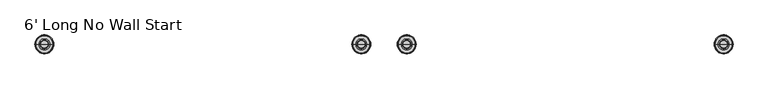
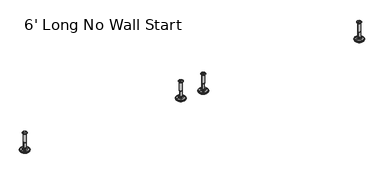
"""IFC4 building model written with IfcOpenShell, lengths in millimetres: furniture geometry, 6' Long No Wall Start."""

from ifc_helpers import new_model, si_unit, frame, origin, place, context, project, spatial, polyline, circle_curve, source, transform, mapped, element, save
from ifc_brep_helpers import plane_surface, cylinder_surface, revolved_surface, advanced_brep


def furniture_6_long_no_wall_start_9dc69d20(model_context):
    return source(origin(), model_context, "Body", "AdvancedBrep", [
        advanced_brep(
        [(1771.7372135, 0.0, 101.6), (1780.715135, 0.0, 101.6), (1762.7592921, 0.0, 101.6), (1785.8414535, 0.0, 0.0206943), (1771.7372135, 0.0, 0.0206943), (1757.6329736, 0.0, 0.0206943), (1790.7194852, 0.0, 1.4194474), (1752.7549419, 0.0, 1.4194474), (1794.4814003, 0.0, 4.7394056), (1748.9930268, 0.0, 4.7394056), (1795.5988499, 0.0, 7.5051905), (1747.8755772, 0.0, 7.5051905), (1795.5988499, 0.0, 8.3065967), (1747.8755772, 0.0, 8.3065967), (1794.7564467, 0.0, 9.8469348), (1748.7179804, 0.0, 9.8469348), (1793.656304, 0.0, 10.8375077), (1749.8181231, 0.0, 10.8375077), (1786.3526088, 0.0, 12.7338946), (1757.1218183, 0.0, 12.7338946), (1778.9344574, 0.0, 13.3828987), (1764.5399696, 0.0, 13.3828987), (1778.9344574, 0.0, 14.1772758), (1764.5399696, 0.0, 14.1772758), (1776.5376646, 0.0, 14.1772758), (1766.9367625, 0.0, 14.1772758), (1776.5376646, 0.0, 18.8098403), (1766.9367625, 0.0, 18.8098403), (1777.5535173, 0.0, 19.8256929), (1765.9209098, 0.0, 19.8256929), (1777.5535173, 0.0, 48.3056352), (1765.9209098, 0.0, 48.3056352), (1778.7770452, 0.0, 49.9293116), (1764.6973819, 0.0, 49.9293116), (1778.7770452, 0.0, 97.327223), (1764.6973819, 0.0, 97.327223), (1779.6581495, 0.0, 97.6479188), (1763.8162776, 0.0, 97.6479188), (1780.7071385, 0.0, 97.6479188), (1762.7672886, 0.0, 97.6479188), (1782.3721684, 0.0, 98.6092242), (1761.1022587, 0.0, 98.6092242), (1782.3721684, 0.0, 100.6043539), (1761.1022587, 0.0, 100.6043539)],
        [
            (0, 1),
            (1, 2, circle_curve(frame((1771.7372135, 0.0, 101.6), z_axis=(0.0, 0.0, 1.0), x_axis=(-1.0, 0.0, 0.0)), 8.9779214)),
            (2, 0),
            (2, 1, circle_curve(frame((1771.7372135, 0.0, 101.6), z_axis=(0.0, 0.0, 1.0), x_axis=(-1.0, 0.0, 0.0)), 8.9779214)),
            (3, 4),
            (4, 5),
            (5, 3, circle_curve(frame((1771.7372135, 0.0, 0.0206943), z_axis=(0.0, 0.0, -1.0), x_axis=(-1.0, 0.0, 0.0)), 14.1042399)),
            (3, 5, circle_curve(frame((1771.7372135, 0.0, 0.0206943), z_axis=(0.0, 0.0, -1.0), x_axis=(-1.0, 0.0, 0.0)), 14.1042399)),
            (6, 3),
            (5, 7),
            (7, 6, circle_curve(frame((1771.7372135, 0.0, 1.4194474), z_axis=(0.0, 0.0, -1.0), x_axis=(-1.0, 0.0, 0.0)), 18.9822717)),
            (6, 7, circle_curve(frame((1771.7372135, 0.0, 1.4194474), z_axis=(0.0, 0.0, -1.0), x_axis=(-1.0, 0.0, 0.0)), 18.9822717)),
            (8, 6),
            (7, 9),
            (9, 8, circle_curve(frame((1771.7372135, 0.0, 4.7394056), z_axis=(0.0, 0.0, -1.0), x_axis=(-1.0, 0.0, 0.0)), 22.7441867)),
            (8, 9, circle_curve(frame((1771.7372135, 0.0, 4.7394056), z_axis=(0.0, 0.0, -1.0), x_axis=(-1.0, 0.0, 0.0)), 22.7441867)),
            (10, 8),
            (9, 11),
            (11, 10, circle_curve(frame((1771.7372135, 0.0, 7.5051905), z_axis=(0.0, 0.0, -1.0), x_axis=(-1.0, 0.0, 0.0)), 23.8616363)),
            (10, 11, circle_curve(frame((1771.7372135, 0.0, 7.5051905), z_axis=(0.0, 0.0, -1.0), x_axis=(-1.0, 0.0, 0.0)), 23.8616363)),
            (12, 10),
            (11, 13),
            (13, 12, circle_curve(frame((1771.7372135, 0.0, 8.3065967), z_axis=(0.0, 0.0, -1.0), x_axis=(-1.0, 0.0, 0.0)), 23.8616363)),
            (12, 13, circle_curve(frame((1771.7372135, 0.0, 8.3065967), z_axis=(0.0, 0.0, -1.0), x_axis=(-1.0, 0.0, 0.0)), 23.8616363)),
            (14, 12),
            (13, 15),
            (15, 14, circle_curve(frame((1771.7372135, 0.0, 9.8469348), z_axis=(0.0, 0.0, -1.0), x_axis=(-1.0, 0.0, 0.0)), 23.0192331)),
            (14, 15, circle_curve(frame((1771.7372135, 0.0, 9.8469348), z_axis=(0.0, 0.0, -1.0), x_axis=(-1.0, 0.0, 0.0)), 23.0192331)),
            (16, 14),
            (15, 17),
            (17, 16, circle_curve(frame((1771.7372135, 0.0, 10.8375077), z_axis=(0.0, 0.0, -1.0), x_axis=(-1.0, 0.0, 0.0)), 21.9190905)),
            (16, 17, circle_curve(frame((1771.7372135, 0.0, 10.8375077), z_axis=(0.0, 0.0, -1.0), x_axis=(-1.0, 0.0, 0.0)), 21.9190905)),
            (18, 16),
            (17, 19),
            (19, 18, circle_curve(frame((1771.7372135, 0.0, 12.7338946), z_axis=(0.0, 0.0, -1.0), x_axis=(-1.0, 0.0, 0.0)), 14.6153953)),
            (18, 19, circle_curve(frame((1771.7372135, 0.0, 12.7338946), z_axis=(0.0, 0.0, -1.0), x_axis=(-1.0, 0.0, 0.0)), 14.6153953)),
            (20, 18),
            (19, 21),
            (21, 20, circle_curve(frame((1771.7372135, 0.0, 13.3828987), z_axis=(0.0, 0.0, -1.0), x_axis=(-1.0, 0.0, 0.0)), 7.1972439)),
            (20, 21, circle_curve(frame((1771.7372135, 0.0, 13.3828987), z_axis=(0.0, 0.0, -1.0), x_axis=(-1.0, 0.0, 0.0)), 7.1972439)),
            (22, 20),
            (21, 23),
            (23, 22, circle_curve(frame((1771.7372135, 0.0, 14.1772758), z_axis=(0.0, 0.0, -1.0), x_axis=(-1.0, 0.0, 0.0)), 7.1972439)),
            (22, 23, circle_curve(frame((1771.7372135, 0.0, 14.1772758), z_axis=(0.0, 0.0, -1.0), x_axis=(-1.0, 0.0, 0.0)), 7.1972439)),
            (24, 22),
            (23, 25),
            (25, 24, circle_curve(frame((1771.7372135, 0.0, 14.1772758), z_axis=(0.0, 0.0, -1.0), x_axis=(-1.0, 0.0, 0.0)), 4.8004511)),
            (24, 25, circle_curve(frame((1771.7372135, 0.0, 14.1772758), z_axis=(0.0, 0.0, -1.0), x_axis=(-1.0, 0.0, 0.0)), 4.8004511)),
            (26, 24),
            (25, 27),
            (27, 26, circle_curve(frame((1771.7372135, 0.0, 18.8098403), z_axis=(0.0, 0.0, -1.0), x_axis=(-1.0, 0.0, 0.0)), 4.8004511)),
            (26, 27, circle_curve(frame((1771.7372135, 0.0, 18.8098403), z_axis=(0.0, 0.0, -1.0), x_axis=(-1.0, 0.0, 0.0)), 4.8004511)),
            (28, 26),
            (27, 29),
            (29, 28, circle_curve(frame((1771.7372135, 0.0, 19.8256929), z_axis=(0.0, 0.0, -1.0), x_axis=(-1.0, 0.0, 0.0)), 5.8163037)),
            (28, 29, circle_curve(frame((1771.7372135, 0.0, 19.8256929), z_axis=(0.0, 0.0, -1.0), x_axis=(-1.0, 0.0, 0.0)), 5.8163037)),
            (30, 28),
            (29, 31),
            (31, 30, circle_curve(frame((1771.7372135, 0.0, 48.3056352), z_axis=(0.0, 0.0, -1.0), x_axis=(-1.0, 0.0, 0.0)), 5.8163037)),
            (30, 31, circle_curve(frame((1771.7372135, 0.0, 48.3056352), z_axis=(0.0, 0.0, -1.0), x_axis=(-1.0, 0.0, 0.0)), 5.8163037)),
            (32, 30),
            (31, 33),
            (33, 32, circle_curve(frame((1771.7372135, 0.0, 49.9293116), z_axis=(0.0, 0.0, -1.0), x_axis=(-1.0, 0.0, 0.0)), 7.0398316)),
            (32, 33, circle_curve(frame((1771.7372135, 0.0, 49.9293116), z_axis=(0.0, 0.0, -1.0), x_axis=(-1.0, 0.0, 0.0)), 7.0398316)),
            (34, 32),
            (33, 35),
            (35, 34, circle_curve(frame((1771.7372135, 0.0, 97.327223), z_axis=(0.0, 0.0, -1.0), x_axis=(-1.0, 0.0, 0.0)), 7.0398316)),
            (34, 35, circle_curve(frame((1771.7372135, 0.0, 97.327223), z_axis=(0.0, 0.0, -1.0), x_axis=(-1.0, 0.0, 0.0)), 7.0398316)),
            (36, 34),
            (35, 37),
            (37, 36, circle_curve(frame((1771.7372135, 0.0, 97.6479188), z_axis=(0.0, 0.0, -1.0), x_axis=(-1.0, 0.0, 0.0)), 7.920936)),
            (36, 37, circle_curve(frame((1771.7372135, 0.0, 97.6479188), z_axis=(0.0, 0.0, -1.0), x_axis=(-1.0, 0.0, 0.0)), 7.920936)),
            (38, 36),
            (37, 39),
            (39, 38, circle_curve(frame((1771.7372135, 0.0, 97.6479188), z_axis=(0.0, 0.0, -1.0), x_axis=(-1.0, 0.0, 0.0)), 8.9699249)),
            (38, 39, circle_curve(frame((1771.7372135, 0.0, 97.6479188), z_axis=(0.0, 0.0, -1.0), x_axis=(-1.0, 0.0, 0.0)), 8.9699249)),
            (40, 38),
            (39, 41),
            (41, 40, circle_curve(frame((1771.7372135, 0.0, 98.6092242), z_axis=(0.0, 0.0, -1.0), x_axis=(-1.0, 0.0, 0.0)), 10.6349548)),
            (40, 41, circle_curve(frame((1771.7372135, 0.0, 98.6092242), z_axis=(0.0, 0.0, -1.0), x_axis=(-1.0, 0.0, 0.0)), 10.6349548)),
            (42, 40),
            (41, 43),
            (43, 42, circle_curve(frame((1771.7372135, 0.0, 100.6043539), z_axis=(0.0, 0.0, -1.0), x_axis=(-1.0, 0.0, 0.0)), 10.6349548)),
            (42, 43, circle_curve(frame((1771.7372135, 0.0, 100.6043539), z_axis=(0.0, 0.0, -1.0), x_axis=(-1.0, 0.0, 0.0)), 10.6349548)),
            (1, 42),
            (43, 2),
        ],
        [
            plane_surface(frame((1771.7372135, 0.0, 101.6), z_axis=(0.0, 0.0, 1.0), x_axis=(-1.0, 0.0, 0.0))),
            plane_surface(frame((1771.7372135, 0.0, 0.0206943), z_axis=(0.0, 0.0, -1.0), x_axis=(-1.0, 0.0, 0.0))),
            revolved_surface(polyline([(1757.6329736, 0.0, 0.0206943), (1752.7549419, 0.0, 1.4194474)]), (1771.7372135, 0.0, 101.6), (0.0, 0.0, 1.0)),
            revolved_surface(polyline([(1752.7549419, 0.0, 1.4194474), (1748.9930268, 0.0, 4.7394056)]), (1771.7372135, 0.0, 101.6), (0.0, 0.0, 1.0)),
            revolved_surface(polyline([(1748.9930268, 0.0, 4.7394056), (1747.8755772, 0.0, 7.5051905)]), (1771.7372135, 0.0, 101.6), (0.0, 0.0, 1.0)),
            cylinder_surface(frame((1771.7372135, 0.0, 101.6), z_axis=(0.0, 0.0, 1.0), x_axis=(-1.0, 0.0, 0.0)), 23.8616363),
            revolved_surface(polyline([(1747.8755772, 0.0, 8.3065967), (1748.7179804, 0.0, 9.8469348)]), (1771.7372135, 0.0, 101.6), (0.0, 0.0, 1.0)),
            revolved_surface(polyline([(1748.7179804, 0.0, 9.8469348), (1749.8181231, 0.0, 10.8375077)]), (1771.7372135, 0.0, 101.6), (0.0, 0.0, 1.0)),
            revolved_surface(polyline([(1749.8181231, 0.0, 10.8375077), (1757.1218183, 0.0, 12.7338946)]), (1771.7372135, 0.0, 101.6), (0.0, 0.0, 1.0)),
            revolved_surface(polyline([(1757.1218183, 0.0, 12.7338946), (1764.5399696, 0.0, 13.3828987)]), (1771.7372135, 0.0, 101.6), (0.0, 0.0, 1.0)),
            cylinder_surface(frame((1771.7372135, 0.0, 101.6), z_axis=(0.0, 0.0, 1.0), x_axis=(-1.0, 0.0, 0.0)), 7.1972439),
            plane_surface(frame((1771.7372135, 0.0, 14.1772758), z_axis=(0.0, 0.0, 1.0), x_axis=(-1.0, 0.0, 0.0))),
            cylinder_surface(frame((1771.7372135, 0.0, 101.6), z_axis=(0.0, 0.0, 1.0), x_axis=(-1.0, 0.0, 0.0)), 4.8004511),
            revolved_surface(polyline([(1766.9367625, 0.0, 18.8098403), (1765.9209098, 0.0, 19.8256929)]), (1771.7372135, 0.0, 101.6), (0.0, 0.0, 1.0)),
            cylinder_surface(frame((1771.7372135, 0.0, 101.6), z_axis=(0.0, 0.0, 1.0), x_axis=(-1.0, 0.0, 0.0)), 5.8163037),
            revolved_surface(polyline([(1765.9209098, 0.0, 48.3056352), (1764.6973819, 0.0, 49.9293116)]), (1771.7372135, 0.0, 101.6), (0.0, 0.0, 1.0)),
            cylinder_surface(frame((1771.7372135, 0.0, 101.6), z_axis=(0.0, 0.0, 1.0), x_axis=(-1.0, 0.0, 0.0)), 7.0398316),
            revolved_surface(polyline([(1764.6973819, 0.0, 97.327223), (1763.8162776, 0.0, 97.6479188)]), (1771.7372135, 0.0, 101.6), (0.0, 0.0, 1.0)),
            plane_surface(frame((1771.7372135, 0.0, 97.6479188), z_axis=(0.0, 0.0, -1.0), x_axis=(-1.0, 0.0, 0.0))),
            revolved_surface(polyline([(1762.7672886, 0.0, 97.6479188), (1761.1022587, 0.0, 98.6092242)]), (1771.7372135, 0.0, 101.6), (0.0, 0.0, 1.0)),
            cylinder_surface(frame((1771.7372135, 0.0, 101.6), z_axis=(0.0, 0.0, 1.0), x_axis=(-1.0, 0.0, 0.0)), 10.6349548),
            revolved_surface(polyline([(1761.1022587, 0.0, 100.6043539), (1762.7592921, 0.0, 101.6)]), (1771.7372135, 0.0, 101.6), (0.0, 0.0, 1.0)),
        ],
        [
            (0, [[1, 2, 3]]),
            (0, [[-3, 4, -1]]),
            (1, [[5, 6, 7]]),
            (1, [[-6, -5, 8]]),
            (2, [[9, -7, 10, 11]]),
            (2, [[-10, -8, -9, 12]]),
            (3, [[13, -11, 14, 15]]),
            (3, [[-14, -12, -13, 16]]),
            (4, [[17, -15, 18, 19]]),
            (4, [[-18, -16, -17, 20]]),
            (5, [[21, -19, 22, 23]]),
            (5, [[-22, -20, -21, 24]]),
            (6, [[25, -23, 26, 27]]),
            (6, [[-26, -24, -25, 28]]),
            (7, [[29, -27, 30, 31]]),
            (7, [[-30, -28, -29, 32]]),
            (8, [[33, -31, 34, 35]]),
            (8, [[-34, -32, -33, 36]]),
            (9, [[37, -35, 38, 39]]),
            (9, [[-38, -36, -37, 40]]),
            (10, [[41, -39, 42, 43]]),
            (10, [[-42, -40, -41, 44]]),
            (11, [[45, -43, 46, 47]]),
            (11, [[-46, -44, -45, 48]]),
            (12, [[49, -47, 50, 51]]),
            (12, [[-50, -48, -49, 52]]),
            (13, [[53, -51, 54, 55]]),
            (13, [[-54, -52, -53, 56]]),
            (14, [[57, -55, 58, 59]]),
            (14, [[-58, -56, -57, 60]]),
            (15, [[61, -59, 62, 63]]),
            (15, [[-62, -60, -61, 64]]),
            (16, [[65, -63, 66, 67]]),
            (16, [[-66, -64, -65, 68]]),
            (17, [[69, -67, 70, 71]]),
            (17, [[-70, -68, -69, 72]]),
            (18, [[73, -71, 74, 75]]),
            (18, [[-74, -72, -73, 76]]),
            (19, [[77, -75, 78, 79]]),
            (19, [[-78, -76, -77, 80]]),
            (20, [[81, -79, 82, 83]]),
            (20, [[-82, -80, -81, 84]]),
            (21, [[85, -83, 86, -2]]),
            (21, [[-86, -84, -85, -4]]),
        ],
    ),
        advanced_brep(
        [(971.7364323, 0.0, 101.6), (980.7143537, 0.0, 101.6), (962.7585109, 0.0, 101.6), (985.8406722, 0.0, 0.0206943), (971.7364323, 0.0, 0.0206943), (957.6321924, 0.0, 0.0206943), (990.718704, 0.0, 1.4194474), (952.7541606, 0.0, 1.4194474), (994.480619, 0.0, 4.7394056), (948.9922456, 0.0, 4.7394056), (995.5980686, 0.0, 7.5051905), (947.874796, 0.0, 7.5051905), (995.5980686, 0.0, 8.3065967), (947.874796, 0.0, 8.3065967), (994.7556654, 0.0, 9.8469348), (948.7171992, 0.0, 9.8469348), (993.6555228, 0.0, 10.8375077), (949.8173418, 0.0, 10.8375077), (986.3518276, 0.0, 12.7338946), (957.121037, 0.0, 12.7338946), (978.9336762, 0.0, 13.3828987), (964.5391884, 0.0, 13.3828987), (978.9336762, 0.0, 14.1772758), (964.5391884, 0.0, 14.1772758), (976.5368834, 0.0, 14.1772758), (966.9359812, 0.0, 14.1772758), (976.5368834, 0.0, 18.8098403), (966.9359812, 0.0, 18.8098403), (977.552736, 0.0, 19.8256929), (965.9201286, 0.0, 19.8256929), (977.552736, 0.0, 48.3056352), (965.9201286, 0.0, 48.3056352), (978.7762639, 0.0, 49.9293116), (964.6966007, 0.0, 49.9293116), (978.7762639, 0.0, 97.327223), (964.6966007, 0.0, 97.327223), (979.6573683, 0.0, 97.6479188), (963.8154963, 0.0, 97.6479188), (980.7063572, 0.0, 97.6479188), (962.7665074, 0.0, 97.6479188), (982.3713871, 0.0, 98.6092242), (961.1014775, 0.0, 98.6092242), (982.3713871, 0.0, 100.6043539), (961.1014775, 0.0, 100.6043539)],
        [
            (0, 1),
            (1, 2, circle_curve(frame((971.7364323, 0.0, 101.6), z_axis=(0.0, 0.0, 1.0), x_axis=(-1.0, 0.0, 0.0)), 8.9779214)),
            (2, 0),
            (2, 1, circle_curve(frame((971.7364323, 0.0, 101.6), z_axis=(0.0, 0.0, 1.0), x_axis=(-1.0, 0.0, 0.0)), 8.9779214)),
            (3, 4),
            (4, 5),
            (5, 3, circle_curve(frame((971.7364323, 0.0, 0.0206943), z_axis=(0.0, 0.0, -1.0), x_axis=(-1.0, 0.0, 0.0)), 14.1042399)),
            (3, 5, circle_curve(frame((971.7364323, 0.0, 0.0206943), z_axis=(0.0, 0.0, -1.0), x_axis=(-1.0, 0.0, 0.0)), 14.1042399)),
            (6, 3),
            (5, 7),
            (7, 6, circle_curve(frame((971.7364323, 0.0, 1.4194474), z_axis=(0.0, 0.0, -1.0), x_axis=(-1.0, 0.0, 0.0)), 18.9822717)),
            (6, 7, circle_curve(frame((971.7364323, 0.0, 1.4194474), z_axis=(0.0, 0.0, -1.0), x_axis=(-1.0, 0.0, 0.0)), 18.9822717)),
            (8, 6),
            (7, 9),
            (9, 8, circle_curve(frame((971.7364323, 0.0, 4.7394056), z_axis=(0.0, 0.0, -1.0), x_axis=(-1.0, 0.0, 0.0)), 22.7441867)),
            (8, 9, circle_curve(frame((971.7364323, 0.0, 4.7394056), z_axis=(0.0, 0.0, -1.0), x_axis=(-1.0, 0.0, 0.0)), 22.7441867)),
            (10, 8),
            (9, 11),
            (11, 10, circle_curve(frame((971.7364323, 0.0, 7.5051905), z_axis=(0.0, 0.0, -1.0), x_axis=(-1.0, 0.0, 0.0)), 23.8616363)),
            (10, 11, circle_curve(frame((971.7364323, 0.0, 7.5051905), z_axis=(0.0, 0.0, -1.0), x_axis=(-1.0, 0.0, 0.0)), 23.8616363)),
            (12, 10),
            (11, 13),
            (13, 12, circle_curve(frame((971.7364323, 0.0, 8.3065967), z_axis=(0.0, 0.0, -1.0), x_axis=(-1.0, 0.0, 0.0)), 23.8616363)),
            (12, 13, circle_curve(frame((971.7364323, 0.0, 8.3065967), z_axis=(0.0, 0.0, -1.0), x_axis=(-1.0, 0.0, 0.0)), 23.8616363)),
            (14, 12),
            (13, 15),
            (15, 14, circle_curve(frame((971.7364323, 0.0, 9.8469348), z_axis=(0.0, 0.0, -1.0), x_axis=(-1.0, 0.0, 0.0)), 23.0192331)),
            (14, 15, circle_curve(frame((971.7364323, 0.0, 9.8469348), z_axis=(0.0, 0.0, -1.0), x_axis=(-1.0, 0.0, 0.0)), 23.0192331)),
            (16, 14),
            (15, 17),
            (17, 16, circle_curve(frame((971.7364323, 0.0, 10.8375077), z_axis=(0.0, 0.0, -1.0), x_axis=(-1.0, 0.0, 0.0)), 21.9190905)),
            (16, 17, circle_curve(frame((971.7364323, 0.0, 10.8375077), z_axis=(0.0, 0.0, -1.0), x_axis=(-1.0, 0.0, 0.0)), 21.9190905)),
            (18, 16),
            (17, 19),
            (19, 18, circle_curve(frame((971.7364323, 0.0, 12.7338946), z_axis=(0.0, 0.0, -1.0), x_axis=(-1.0, 0.0, 0.0)), 14.6153953)),
            (18, 19, circle_curve(frame((971.7364323, 0.0, 12.7338946), z_axis=(0.0, 0.0, -1.0), x_axis=(-1.0, 0.0, 0.0)), 14.6153953)),
            (20, 18),
            (19, 21),
            (21, 20, circle_curve(frame((971.7364323, 0.0, 13.3828987), z_axis=(0.0, 0.0, -1.0), x_axis=(-1.0, 0.0, 0.0)), 7.1972439)),
            (20, 21, circle_curve(frame((971.7364323, 0.0, 13.3828987), z_axis=(0.0, 0.0, -1.0), x_axis=(-1.0, 0.0, 0.0)), 7.1972439)),
            (22, 20),
            (21, 23),
            (23, 22, circle_curve(frame((971.7364323, 0.0, 14.1772758), z_axis=(0.0, 0.0, -1.0), x_axis=(-1.0, 0.0, 0.0)), 7.1972439)),
            (22, 23, circle_curve(frame((971.7364323, 0.0, 14.1772758), z_axis=(0.0, 0.0, -1.0), x_axis=(-1.0, 0.0, 0.0)), 7.1972439)),
            (24, 22),
            (23, 25),
            (25, 24, circle_curve(frame((971.7364323, 0.0, 14.1772758), z_axis=(0.0, 0.0, -1.0), x_axis=(-1.0, 0.0, 0.0)), 4.8004511)),
            (24, 25, circle_curve(frame((971.7364323, 0.0, 14.1772758), z_axis=(0.0, 0.0, -1.0), x_axis=(-1.0, 0.0, 0.0)), 4.8004511)),
            (26, 24),
            (25, 27),
            (27, 26, circle_curve(frame((971.7364323, 0.0, 18.8098403), z_axis=(0.0, 0.0, -1.0), x_axis=(-1.0, 0.0, 0.0)), 4.8004511)),
            (26, 27, circle_curve(frame((971.7364323, 0.0, 18.8098403), z_axis=(0.0, 0.0, -1.0), x_axis=(-1.0, 0.0, 0.0)), 4.8004511)),
            (28, 26),
            (27, 29),
            (29, 28, circle_curve(frame((971.7364323, 0.0, 19.8256929), z_axis=(0.0, 0.0, -1.0), x_axis=(-1.0, 0.0, 0.0)), 5.8163037)),
            (28, 29, circle_curve(frame((971.7364323, 0.0, 19.8256929), z_axis=(0.0, 0.0, -1.0), x_axis=(-1.0, 0.0, 0.0)), 5.8163037)),
            (30, 28),
            (29, 31),
            (31, 30, circle_curve(frame((971.7364323, 0.0, 48.3056352), z_axis=(0.0, 0.0, -1.0), x_axis=(-1.0, 0.0, 0.0)), 5.8163037)),
            (30, 31, circle_curve(frame((971.7364323, 0.0, 48.3056352), z_axis=(0.0, 0.0, -1.0), x_axis=(-1.0, 0.0, 0.0)), 5.8163037)),
            (32, 30),
            (31, 33),
            (33, 32, circle_curve(frame((971.7364323, 0.0, 49.9293116), z_axis=(0.0, 0.0, -1.0), x_axis=(-1.0, 0.0, 0.0)), 7.0398316)),
            (32, 33, circle_curve(frame((971.7364323, 0.0, 49.9293116), z_axis=(0.0, 0.0, -1.0), x_axis=(-1.0, 0.0, 0.0)), 7.0398316)),
            (34, 32),
            (33, 35),
            (35, 34, circle_curve(frame((971.7364323, 0.0, 97.327223), z_axis=(0.0, 0.0, -1.0), x_axis=(-1.0, 0.0, 0.0)), 7.0398316)),
            (34, 35, circle_curve(frame((971.7364323, 0.0, 97.327223), z_axis=(0.0, 0.0, -1.0), x_axis=(-1.0, 0.0, 0.0)), 7.0398316)),
            (36, 34),
            (35, 37),
            (37, 36, circle_curve(frame((971.7364323, 0.0, 97.6479188), z_axis=(0.0, 0.0, -1.0), x_axis=(-1.0, 0.0, 0.0)), 7.920936)),
            (36, 37, circle_curve(frame((971.7364323, 0.0, 97.6479188), z_axis=(0.0, 0.0, -1.0), x_axis=(-1.0, 0.0, 0.0)), 7.920936)),
            (38, 36),
            (37, 39),
            (39, 38, circle_curve(frame((971.7364323, 0.0, 97.6479188), z_axis=(0.0, 0.0, -1.0), x_axis=(-1.0, 0.0, 0.0)), 8.9699249)),
            (38, 39, circle_curve(frame((971.7364323, 0.0, 97.6479188), z_axis=(0.0, 0.0, -1.0), x_axis=(-1.0, 0.0, 0.0)), 8.9699249)),
            (40, 38),
            (39, 41),
            (41, 40, circle_curve(frame((971.7364323, 0.0, 98.6092242), z_axis=(0.0, 0.0, -1.0), x_axis=(-1.0, 0.0, 0.0)), 10.6349548)),
            (40, 41, circle_curve(frame((971.7364323, 0.0, 98.6092242), z_axis=(0.0, 0.0, -1.0), x_axis=(-1.0, 0.0, 0.0)), 10.6349548)),
            (42, 40),
            (41, 43),
            (43, 42, circle_curve(frame((971.7364323, 0.0, 100.6043539), z_axis=(0.0, 0.0, -1.0), x_axis=(-1.0, 0.0, 0.0)), 10.6349548)),
            (42, 43, circle_curve(frame((971.7364323, 0.0, 100.6043539), z_axis=(0.0, 0.0, -1.0), x_axis=(-1.0, 0.0, 0.0)), 10.6349548)),
            (1, 42),
            (43, 2),
        ],
        [
            plane_surface(frame((971.7364323, 0.0, 101.6), z_axis=(0.0, 0.0, 1.0), x_axis=(-1.0, 0.0, 0.0))),
            plane_surface(frame((971.7364323, 0.0, 0.0206943), z_axis=(0.0, 0.0, -1.0), x_axis=(-1.0, 0.0, 0.0))),
            revolved_surface(polyline([(957.6321924, 0.0, 0.0206943), (952.7541606, 0.0, 1.4194474)]), (971.7364323, 0.0, 101.6), (0.0, 0.0, 1.0)),
            revolved_surface(polyline([(952.7541606, 0.0, 1.4194474), (948.9922456, 0.0, 4.7394056)]), (971.7364323, 0.0, 101.6), (0.0, 0.0, 1.0)),
            revolved_surface(polyline([(948.9922456, 0.0, 4.7394056), (947.874796, 0.0, 7.5051905)]), (971.7364323, 0.0, 101.6), (0.0, 0.0, 1.0)),
            cylinder_surface(frame((971.7364323, 0.0, 101.6), z_axis=(0.0, 0.0, 1.0), x_axis=(-1.0, 0.0, 0.0)), 23.8616363),
            revolved_surface(polyline([(947.874796, 0.0, 8.3065967), (948.7171992, 0.0, 9.8469348)]), (971.7364323, 0.0, 101.6), (0.0, 0.0, 1.0)),
            revolved_surface(polyline([(948.7171992, 0.0, 9.8469348), (949.8173418, 0.0, 10.8375077)]), (971.7364323, 0.0, 101.6), (0.0, 0.0, 1.0)),
            revolved_surface(polyline([(949.8173418, 0.0, 10.8375077), (957.121037, 0.0, 12.7338946)]), (971.7364323, 0.0, 101.6), (0.0, 0.0, 1.0)),
            revolved_surface(polyline([(957.121037, 0.0, 12.7338946), (964.5391884, 0.0, 13.3828987)]), (971.7364323, 0.0, 101.6), (0.0, 0.0, 1.0)),
            cylinder_surface(frame((971.7364323, 0.0, 101.6), z_axis=(0.0, 0.0, 1.0), x_axis=(-1.0, 0.0, 0.0)), 7.1972439),
            plane_surface(frame((971.7364323, 0.0, 14.1772758), z_axis=(0.0, 0.0, 1.0), x_axis=(-1.0, 0.0, 0.0))),
            cylinder_surface(frame((971.7364323, 0.0, 101.6), z_axis=(0.0, 0.0, 1.0), x_axis=(-1.0, 0.0, 0.0)), 4.8004511),
            revolved_surface(polyline([(966.9359812, 0.0, 18.8098403), (965.9201286, 0.0, 19.8256929)]), (971.7364323, 0.0, 101.6), (0.0, 0.0, 1.0)),
            cylinder_surface(frame((971.7364323, 0.0, 101.6), z_axis=(0.0, 0.0, 1.0), x_axis=(-1.0, 0.0, 0.0)), 5.8163037),
            revolved_surface(polyline([(965.9201286, 0.0, 48.3056352), (964.6966007, 0.0, 49.9293116)]), (971.7364323, 0.0, 101.6), (0.0, 0.0, 1.0)),
            cylinder_surface(frame((971.7364323, 0.0, 101.6), z_axis=(0.0, 0.0, 1.0), x_axis=(-1.0, 0.0, 0.0)), 7.0398316),
            revolved_surface(polyline([(964.6966007, 0.0, 97.327223), (963.8154963, 0.0, 97.6479188)]), (971.7364323, 0.0, 101.6), (0.0, 0.0, 1.0)),
            plane_surface(frame((971.7364323, 0.0, 97.6479188), z_axis=(0.0, 0.0, -1.0), x_axis=(-1.0, 0.0, 0.0))),
            revolved_surface(polyline([(962.7665074, 0.0, 97.6479188), (961.1014775, 0.0, 98.6092242)]), (971.7364323, 0.0, 101.6), (0.0, 0.0, 1.0)),
            cylinder_surface(frame((971.7364323, 0.0, 101.6), z_axis=(0.0, 0.0, 1.0), x_axis=(-1.0, 0.0, 0.0)), 10.6349548),
            revolved_surface(polyline([(961.1014775, 0.0, 100.6043539), (962.7585109, 0.0, 101.6)]), (971.7364323, 0.0, 101.6), (0.0, 0.0, 1.0)),
        ],
        [
            (0, [[1, 2, 3]]),
            (0, [[-3, 4, -1]]),
            (1, [[5, 6, 7]]),
            (1, [[-6, -5, 8]]),
            (2, [[9, -7, 10, 11]]),
            (2, [[-10, -8, -9, 12]]),
            (3, [[13, -11, 14, 15]]),
            (3, [[-14, -12, -13, 16]]),
            (4, [[17, -15, 18, 19]]),
            (4, [[-18, -16, -17, 20]]),
            (5, [[21, -19, 22, 23]]),
            (5, [[-22, -20, -21, 24]]),
            (6, [[25, -23, 26, 27]]),
            (6, [[-26, -24, -25, 28]]),
            (7, [[29, -27, 30, 31]]),
            (7, [[-30, -28, -29, 32]]),
            (8, [[33, -31, 34, 35]]),
            (8, [[-34, -32, -33, 36]]),
            (9, [[37, -35, 38, 39]]),
            (9, [[-38, -36, -37, 40]]),
            (10, [[41, -39, 42, 43]]),
            (10, [[-42, -40, -41, 44]]),
            (11, [[45, -43, 46, 47]]),
            (11, [[-46, -44, -45, 48]]),
            (12, [[49, -47, 50, 51]]),
            (12, [[-50, -48, -49, 52]]),
            (13, [[53, -51, 54, 55]]),
            (13, [[-54, -52, -53, 56]]),
            (14, [[57, -55, 58, 59]]),
            (14, [[-58, -56, -57, 60]]),
            (15, [[61, -59, 62, 63]]),
            (15, [[-62, -60, -61, 64]]),
            (16, [[65, -63, 66, 67]]),
            (16, [[-66, -64, -65, 68]]),
            (17, [[69, -67, 70, 71]]),
            (17, [[-70, -68, -69, 72]]),
            (18, [[73, -71, 74, 75]]),
            (18, [[-74, -72, -73, 76]]),
            (19, [[77, -75, 78, 79]]),
            (19, [[-78, -76, -77, 80]]),
            (20, [[81, -79, 82, 83]]),
            (20, [[-82, -80, -81, 84]]),
            (21, [[85, -83, 86, -2]]),
            (21, [[-86, -84, -85, -4]]),
        ],
    ),
        advanced_brep(
        [(857.0635677, 0.0, 101.6), (866.0414891, 0.0, 101.6), (848.0856463, 0.0, 101.6), (842.9593278, 0.0, 0.0206943), (871.1678076, 0.0, 0.0206943), (857.0635677, 0.0, 0.0206943), (838.081296, 0.0, 1.4194474), (876.0458394, 0.0, 1.4194474), (834.319381, 0.0, 4.7394056), (879.8077544, 0.0, 4.7394056), (833.2019314, 0.0, 7.5051905), (880.925204, 0.0, 7.5051905), (833.2019314, 0.0, 8.3065967), (880.925204, 0.0, 8.3065967), (834.0443346, 0.0, 9.8469348), (880.0828008, 0.0, 9.8469348), (835.1444772, 0.0, 10.8375077), (878.9826582, 0.0, 10.8375077), (842.4481724, 0.0, 12.7338946), (871.678963, 0.0, 12.7338946), (849.8663238, 0.0, 13.3828987), (864.2608116, 0.0, 13.3828987), (849.8663238, 0.0, 14.1772758), (864.2608116, 0.0, 14.1772758), (852.2631166, 0.0, 14.1772758), (861.8640188, 0.0, 14.1772758), (852.2631166, 0.0, 18.8098403), (861.8640188, 0.0, 18.8098403), (851.247264, 0.0, 19.8256929), (862.8798714, 0.0, 19.8256929), (851.247264, 0.0, 48.3056352), (862.8798714, 0.0, 48.3056352), (850.0237361, 0.0, 49.9293116), (864.1033993, 0.0, 49.9293116), (850.0237361, 0.0, 97.327223), (864.1033993, 0.0, 97.327223), (849.1426317, 0.0, 97.6479188), (864.9845037, 0.0, 97.6479188), (848.0936428, 0.0, 97.6479188), (866.0334926, 0.0, 97.6479188), (846.4286129, 0.0, 98.6092242), (867.6985225, 0.0, 98.6092242), (846.4286129, 0.0, 100.6043539), (867.6985225, 0.0, 100.6043539)],
        [
            (0, 1),
            (1, 2, circle_curve(frame((857.0635677, 0.0, 101.6), z_axis=(0.0, 0.0, 1.0), x_axis=(1.0, 0.0, 0.0)), 8.9779214)),
            (2, 0),
            (2, 1, circle_curve(frame((857.0635677, 0.0, 101.6), z_axis=(0.0, 0.0, 1.0), x_axis=(1.0, 0.0, 0.0)), 8.9779214)),
            (3, 4, circle_curve(frame((857.0635677, 0.0, 0.0206943), z_axis=(0.0, 0.0, -1.0), x_axis=(1.0, 0.0, 0.0)), 14.1042399)),
            (4, 5),
            (5, 3),
            (4, 3, circle_curve(frame((857.0635677, 0.0, 0.0206943), z_axis=(0.0, 0.0, -1.0), x_axis=(1.0, 0.0, 0.0)), 14.1042399)),
            (6, 7, circle_curve(frame((857.0635677, 0.0, 1.4194474), z_axis=(0.0, 0.0, -1.0), x_axis=(1.0, 0.0, 0.0)), 18.9822717)),
            (7, 4),
            (3, 6),
            (7, 6, circle_curve(frame((857.0635677, 0.0, 1.4194474), z_axis=(0.0, 0.0, -1.0), x_axis=(1.0, 0.0, 0.0)), 18.9822717)),
            (8, 9, circle_curve(frame((857.0635677, 0.0, 4.7394056), z_axis=(0.0, 0.0, -1.0), x_axis=(1.0, 0.0, 0.0)), 22.7441867)),
            (9, 7),
            (6, 8),
            (9, 8, circle_curve(frame((857.0635677, 0.0, 4.7394056), z_axis=(0.0, 0.0, -1.0), x_axis=(1.0, 0.0, 0.0)), 22.7441867)),
            (10, 11, circle_curve(frame((857.0635677, 0.0, 7.5051905), z_axis=(0.0, 0.0, -1.0), x_axis=(1.0, 0.0, 0.0)), 23.8616363)),
            (11, 9),
            (8, 10),
            (11, 10, circle_curve(frame((857.0635677, 0.0, 7.5051905), z_axis=(0.0, 0.0, -1.0), x_axis=(1.0, 0.0, 0.0)), 23.8616363)),
            (12, 13, circle_curve(frame((857.0635677, 0.0, 8.3065967), z_axis=(0.0, 0.0, -1.0), x_axis=(1.0, 0.0, 0.0)), 23.8616363)),
            (13, 11),
            (10, 12),
            (13, 12, circle_curve(frame((857.0635677, 0.0, 8.3065967), z_axis=(0.0, 0.0, -1.0), x_axis=(1.0, 0.0, 0.0)), 23.8616363)),
            (14, 15, circle_curve(frame((857.0635677, 0.0, 9.8469348), z_axis=(0.0, 0.0, -1.0), x_axis=(1.0, 0.0, 0.0)), 23.0192331)),
            (15, 13),
            (12, 14),
            (15, 14, circle_curve(frame((857.0635677, 0.0, 9.8469348), z_axis=(0.0, 0.0, -1.0), x_axis=(1.0, 0.0, 0.0)), 23.0192331)),
            (16, 17, circle_curve(frame((857.0635677, 0.0, 10.8375077), z_axis=(0.0, 0.0, -1.0), x_axis=(1.0, 0.0, 0.0)), 21.9190905)),
            (17, 15),
            (14, 16),
            (17, 16, circle_curve(frame((857.0635677, 0.0, 10.8375077), z_axis=(0.0, 0.0, -1.0), x_axis=(1.0, 0.0, 0.0)), 21.9190905)),
            (18, 19, circle_curve(frame((857.0635677, 0.0, 12.7338946), z_axis=(0.0, 0.0, -1.0), x_axis=(1.0, 0.0, 0.0)), 14.6153953)),
            (19, 17),
            (16, 18),
            (19, 18, circle_curve(frame((857.0635677, 0.0, 12.7338946), z_axis=(0.0, 0.0, -1.0), x_axis=(1.0, 0.0, 0.0)), 14.6153953)),
            (20, 21, circle_curve(frame((857.0635677, 0.0, 13.3828987), z_axis=(0.0, 0.0, -1.0), x_axis=(1.0, 0.0, 0.0)), 7.1972439)),
            (21, 19),
            (18, 20),
            (21, 20, circle_curve(frame((857.0635677, 0.0, 13.3828987), z_axis=(0.0, 0.0, -1.0), x_axis=(1.0, 0.0, 0.0)), 7.1972439)),
            (22, 23, circle_curve(frame((857.0635677, 0.0, 14.1772758), z_axis=(0.0, 0.0, -1.0), x_axis=(1.0, 0.0, 0.0)), 7.1972439)),
            (23, 21),
            (20, 22),
            (23, 22, circle_curve(frame((857.0635677, 0.0, 14.1772758), z_axis=(0.0, 0.0, -1.0), x_axis=(1.0, 0.0, 0.0)), 7.1972439)),
            (24, 25, circle_curve(frame((857.0635677, 0.0, 14.1772758), z_axis=(0.0, 0.0, -1.0), x_axis=(1.0, 0.0, 0.0)), 4.8004511)),
            (25, 23),
            (22, 24),
            (25, 24, circle_curve(frame((857.0635677, 0.0, 14.1772758), z_axis=(0.0, 0.0, -1.0), x_axis=(1.0, 0.0, 0.0)), 4.8004511)),
            (26, 27, circle_curve(frame((857.0635677, 0.0, 18.8098403), z_axis=(0.0, 0.0, -1.0), x_axis=(1.0, 0.0, 0.0)), 4.8004511)),
            (27, 25),
            (24, 26),
            (27, 26, circle_curve(frame((857.0635677, 0.0, 18.8098403), z_axis=(0.0, 0.0, -1.0), x_axis=(1.0, 0.0, 0.0)), 4.8004511)),
            (28, 29, circle_curve(frame((857.0635677, 0.0, 19.8256929), z_axis=(0.0, 0.0, -1.0), x_axis=(1.0, 0.0, 0.0)), 5.8163037)),
            (29, 27),
            (26, 28),
            (29, 28, circle_curve(frame((857.0635677, 0.0, 19.8256929), z_axis=(0.0, 0.0, -1.0), x_axis=(1.0, 0.0, 0.0)), 5.8163037)),
            (30, 31, circle_curve(frame((857.0635677, 0.0, 48.3056352), z_axis=(0.0, 0.0, -1.0), x_axis=(1.0, 0.0, 0.0)), 5.8163037)),
            (31, 29),
            (28, 30),
            (31, 30, circle_curve(frame((857.0635677, 0.0, 48.3056352), z_axis=(0.0, 0.0, -1.0), x_axis=(1.0, 0.0, 0.0)), 5.8163037)),
            (32, 33, circle_curve(frame((857.0635677, 0.0, 49.9293116), z_axis=(0.0, 0.0, -1.0), x_axis=(1.0, 0.0, 0.0)), 7.0398316)),
            (33, 31),
            (30, 32),
            (33, 32, circle_curve(frame((857.0635677, 0.0, 49.9293116), z_axis=(0.0, 0.0, -1.0), x_axis=(1.0, 0.0, 0.0)), 7.0398316)),
            (34, 35, circle_curve(frame((857.0635677, 0.0, 97.327223), z_axis=(0.0, 0.0, -1.0), x_axis=(1.0, 0.0, 0.0)), 7.0398316)),
            (35, 33),
            (32, 34),
            (35, 34, circle_curve(frame((857.0635677, 0.0, 97.327223), z_axis=(0.0, 0.0, -1.0), x_axis=(1.0, 0.0, 0.0)), 7.0398316)),
            (36, 37, circle_curve(frame((857.0635677, 0.0, 97.6479188), z_axis=(0.0, 0.0, -1.0), x_axis=(1.0, 0.0, 0.0)), 7.920936)),
            (37, 35),
            (34, 36),
            (37, 36, circle_curve(frame((857.0635677, 0.0, 97.6479188), z_axis=(0.0, 0.0, -1.0), x_axis=(1.0, 0.0, 0.0)), 7.920936)),
            (38, 39, circle_curve(frame((857.0635677, 0.0, 97.6479188), z_axis=(0.0, 0.0, -1.0), x_axis=(1.0, 0.0, 0.0)), 8.9699249)),
            (39, 37),
            (36, 38),
            (39, 38, circle_curve(frame((857.0635677, 0.0, 97.6479188), z_axis=(0.0, 0.0, -1.0), x_axis=(1.0, 0.0, 0.0)), 8.9699249)),
            (40, 41, circle_curve(frame((857.0635677, 0.0, 98.6092242), z_axis=(0.0, 0.0, -1.0), x_axis=(1.0, 0.0, 0.0)), 10.6349548)),
            (41, 39),
            (38, 40),
            (41, 40, circle_curve(frame((857.0635677, 0.0, 98.6092242), z_axis=(0.0, 0.0, -1.0), x_axis=(1.0, 0.0, 0.0)), 10.6349548)),
            (42, 43, circle_curve(frame((857.0635677, 0.0, 100.6043539), z_axis=(0.0, 0.0, -1.0), x_axis=(1.0, 0.0, 0.0)), 10.6349548)),
            (43, 41),
            (40, 42),
            (43, 42, circle_curve(frame((857.0635677, 0.0, 100.6043539), z_axis=(0.0, 0.0, -1.0), x_axis=(1.0, 0.0, 0.0)), 10.6349548)),
            (1, 43),
            (42, 2),
        ],
        [
            plane_surface(frame((857.0635677, 0.0, 101.6), z_axis=(0.0, 0.0, 1.0), x_axis=(1.0, 0.0, 0.0))),
            plane_surface(frame((857.0635677, 0.0, 0.0206943), z_axis=(0.0, 0.0, -1.0), x_axis=(1.0, 0.0, 0.0))),
            revolved_surface(polyline([(871.1678076, 0.0, 0.0206943), (876.0458394, 0.0, 1.4194474)]), (857.0635677, 0.0, 101.6), (0.0, 0.0, 1.0)),
            revolved_surface(polyline([(876.0458394, 0.0, 1.4194474), (879.8077544, 0.0, 4.7394056)]), (857.0635677, 0.0, 101.6), (0.0, 0.0, 1.0)),
            revolved_surface(polyline([(879.8077544, 0.0, 4.7394056), (880.925204, 0.0, 7.5051905)]), (857.0635677, 0.0, 101.6), (0.0, 0.0, 1.0)),
            cylinder_surface(frame((857.0635677, 0.0, 101.6), z_axis=(0.0, 0.0, 1.0), x_axis=(1.0, 0.0, 0.0)), 23.8616363),
            revolved_surface(polyline([(880.925204, 0.0, 8.3065967), (880.0828008, 0.0, 9.8469348)]), (857.0635677, 0.0, 101.6), (0.0, 0.0, 1.0)),
            revolved_surface(polyline([(880.0828008, 0.0, 9.8469348), (878.9826582, 0.0, 10.8375077)]), (857.0635677, 0.0, 101.6), (0.0, 0.0, 1.0)),
            revolved_surface(polyline([(878.9826582, 0.0, 10.8375077), (871.678963, 0.0, 12.7338946)]), (857.0635677, 0.0, 101.6), (0.0, 0.0, 1.0)),
            revolved_surface(polyline([(871.678963, 0.0, 12.7338946), (864.2608116, 0.0, 13.3828987)]), (857.0635677, 0.0, 101.6), (0.0, 0.0, 1.0)),
            cylinder_surface(frame((857.0635677, 0.0, 101.6), z_axis=(0.0, 0.0, 1.0), x_axis=(1.0, 0.0, 0.0)), 7.1972439),
            plane_surface(frame((857.0635677, 0.0, 14.1772758), z_axis=(0.0, 0.0, 1.0), x_axis=(1.0, 0.0, 0.0))),
            cylinder_surface(frame((857.0635677, 0.0, 101.6), z_axis=(0.0, 0.0, 1.0), x_axis=(1.0, 0.0, 0.0)), 4.8004511),
            revolved_surface(polyline([(861.8640188, 0.0, 18.8098403), (862.8798714, 0.0, 19.8256929)]), (857.0635677, 0.0, 101.6), (0.0, 0.0, 1.0)),
            cylinder_surface(frame((857.0635677, 0.0, 101.6), z_axis=(0.0, 0.0, 1.0), x_axis=(1.0, 0.0, 0.0)), 5.8163037),
            revolved_surface(polyline([(862.8798714, 0.0, 48.3056352), (864.1033993, 0.0, 49.9293116)]), (857.0635677, 0.0, 101.6), (0.0, 0.0, 1.0)),
            cylinder_surface(frame((857.0635677, 0.0, 101.6), z_axis=(0.0, 0.0, 1.0), x_axis=(1.0, 0.0, 0.0)), 7.0398316),
            revolved_surface(polyline([(864.1033993, 0.0, 97.327223), (864.9845037, 0.0, 97.6479188)]), (857.0635677, 0.0, 101.6), (0.0, 0.0, 1.0)),
            plane_surface(frame((857.0635677, 0.0, 97.6479188), z_axis=(0.0, 0.0, -1.0), x_axis=(1.0, 0.0, 0.0))),
            revolved_surface(polyline([(866.0334926, 0.0, 97.6479188), (867.6985225, 0.0, 98.6092242)]), (857.0635677, 0.0, 101.6), (0.0, 0.0, 1.0)),
            cylinder_surface(frame((857.0635677, 0.0, 101.6), z_axis=(0.0, 0.0, 1.0), x_axis=(1.0, 0.0, 0.0)), 10.6349548),
            revolved_surface(polyline([(867.6985225, 0.0, 100.6043539), (866.0414891, 0.0, 101.6)]), (857.0635677, 0.0, 101.6), (0.0, 0.0, 1.0)),
        ],
        [
            (0, [[1, 2, 3]]),
            (0, [[-3, 4, -1]]),
            (1, [[5, 6, 7]]),
            (1, [[8, -7, -6]]),
            (2, [[9, 10, -5, 11]]),
            (2, [[12, -11, -8, -10]]),
            (3, [[13, 14, -9, 15]]),
            (3, [[16, -15, -12, -14]]),
            (4, [[17, 18, -13, 19]]),
            (4, [[20, -19, -16, -18]]),
            (5, [[21, 22, -17, 23]]),
            (5, [[24, -23, -20, -22]]),
            (6, [[25, 26, -21, 27]]),
            (6, [[28, -27, -24, -26]]),
            (7, [[29, 30, -25, 31]]),
            (7, [[32, -31, -28, -30]]),
            (8, [[33, 34, -29, 35]]),
            (8, [[36, -35, -32, -34]]),
            (9, [[37, 38, -33, 39]]),
            (9, [[40, -39, -36, -38]]),
            (10, [[41, 42, -37, 43]]),
            (10, [[44, -43, -40, -42]]),
            (11, [[45, 46, -41, 47]]),
            (11, [[48, -47, -44, -46]]),
            (12, [[49, 50, -45, 51]]),
            (12, [[52, -51, -48, -50]]),
            (13, [[53, 54, -49, 55]]),
            (13, [[56, -55, -52, -54]]),
            (14, [[57, 58, -53, 59]]),
            (14, [[60, -59, -56, -58]]),
            (15, [[61, 62, -57, 63]]),
            (15, [[64, -63, -60, -62]]),
            (16, [[65, 66, -61, 67]]),
            (16, [[68, -67, -64, -66]]),
            (17, [[69, 70, -65, 71]]),
            (17, [[72, -71, -68, -70]]),
            (18, [[73, 74, -69, 75]]),
            (18, [[76, -75, -72, -74]]),
            (19, [[77, 78, -73, 79]]),
            (19, [[80, -79, -76, -78]]),
            (20, [[81, 82, -77, 83]]),
            (20, [[84, -83, -80, -82]]),
            (21, [[-2, 85, -81, 86]]),
            (21, [[-4, -86, -84, -85]]),
        ],
    ),
        advanced_brep(
        [(57.0627865, 0.0, 101.6), (66.0407079, 0.0, 101.6), (48.084865, 0.0, 101.6), (42.9585465, 0.0, 0.0206943), (71.1670264, 0.0, 0.0206943), (57.0627865, 0.0, 0.0206943), (38.0805148, 0.0, 1.4194474), (76.0450581, 0.0, 1.4194474), (34.3185997, 0.0, 4.7394056), (79.8069732, 0.0, 4.7394056), (33.2011501, 0.0, 7.5051905), (80.9244228, 0.0, 7.5051905), (33.2011501, 0.0, 8.3065967), (80.9244228, 0.0, 8.3065967), (34.0435533, 0.0, 9.8469348), (80.0820196, 0.0, 9.8469348), (35.143696, 0.0, 10.8375077), (78.9818769, 0.0, 10.8375077), (42.4473912, 0.0, 12.7338946), (71.6781817, 0.0, 12.7338946), (49.8655426, 0.0, 13.3828987), (64.2600304, 0.0, 13.3828987), (49.8655426, 0.0, 14.1772758), (64.2600304, 0.0, 14.1772758), (52.2623354, 0.0, 14.1772758), (61.8632375, 0.0, 14.1772758), (52.2623354, 0.0, 18.8098403), (61.8632375, 0.0, 18.8098403), (51.2464827, 0.0, 19.8256929), (62.8790902, 0.0, 19.8256929), (51.2464827, 0.0, 48.3056352), (62.8790902, 0.0, 48.3056352), (50.0229548, 0.0, 49.9293116), (64.1026181, 0.0, 49.9293116), (50.0229548, 0.0, 97.327223), (64.1026181, 0.0, 97.327223), (49.1418505, 0.0, 97.6479188), (64.9837224, 0.0, 97.6479188), (48.0928615, 0.0, 97.6479188), (66.0327114, 0.0, 97.6479188), (46.4278316, 0.0, 98.6092242), (67.6977413, 0.0, 98.6092242), (46.4278316, 0.0, 100.6043539), (67.6977413, 0.0, 100.6043539)],
        [
            (0, 1),
            (1, 2, circle_curve(frame((57.0627865, 0.0, 101.6), z_axis=(0.0, 0.0, 1.0), x_axis=(1.0, 0.0, 0.0)), 8.9779214)),
            (2, 0),
            (2, 1, circle_curve(frame((57.0627865, 0.0, 101.6), z_axis=(0.0, 0.0, 1.0), x_axis=(1.0, 0.0, 0.0)), 8.9779214)),
            (3, 4, circle_curve(frame((57.0627865, 0.0, 0.0206943), z_axis=(0.0, 0.0, -1.0), x_axis=(1.0, 0.0, 0.0)), 14.1042399)),
            (4, 5),
            (5, 3),
            (4, 3, circle_curve(frame((57.0627865, 0.0, 0.0206943), z_axis=(0.0, 0.0, -1.0), x_axis=(1.0, 0.0, 0.0)), 14.1042399)),
            (6, 7, circle_curve(frame((57.0627865, 0.0, 1.4194474), z_axis=(0.0, 0.0, -1.0), x_axis=(1.0, 0.0, 0.0)), 18.9822717)),
            (7, 4),
            (3, 6),
            (7, 6, circle_curve(frame((57.0627865, 0.0, 1.4194474), z_axis=(0.0, 0.0, -1.0), x_axis=(1.0, 0.0, 0.0)), 18.9822717)),
            (8, 9, circle_curve(frame((57.0627865, 0.0, 4.7394056), z_axis=(0.0, 0.0, -1.0), x_axis=(1.0, 0.0, 0.0)), 22.7441867)),
            (9, 7),
            (6, 8),
            (9, 8, circle_curve(frame((57.0627865, 0.0, 4.7394056), z_axis=(0.0, 0.0, -1.0), x_axis=(1.0, 0.0, 0.0)), 22.7441867)),
            (10, 11, circle_curve(frame((57.0627865, 0.0, 7.5051905), z_axis=(0.0, 0.0, -1.0), x_axis=(1.0, 0.0, 0.0)), 23.8616363)),
            (11, 9),
            (8, 10),
            (11, 10, circle_curve(frame((57.0627865, 0.0, 7.5051905), z_axis=(0.0, 0.0, -1.0), x_axis=(1.0, 0.0, 0.0)), 23.8616363)),
            (12, 13, circle_curve(frame((57.0627865, 0.0, 8.3065967), z_axis=(0.0, 0.0, -1.0), x_axis=(1.0, 0.0, 0.0)), 23.8616363)),
            (13, 11),
            (10, 12),
            (13, 12, circle_curve(frame((57.0627865, 0.0, 8.3065967), z_axis=(0.0, 0.0, -1.0), x_axis=(1.0, 0.0, 0.0)), 23.8616363)),
            (14, 15, circle_curve(frame((57.0627865, 0.0, 9.8469348), z_axis=(0.0, 0.0, -1.0), x_axis=(1.0, 0.0, 0.0)), 23.0192331)),
            (15, 13),
            (12, 14),
            (15, 14, circle_curve(frame((57.0627865, 0.0, 9.8469348), z_axis=(0.0, 0.0, -1.0), x_axis=(1.0, 0.0, 0.0)), 23.0192331)),
            (16, 17, circle_curve(frame((57.0627865, 0.0, 10.8375077), z_axis=(0.0, 0.0, -1.0), x_axis=(1.0, 0.0, 0.0)), 21.9190905)),
            (17, 15),
            (14, 16),
            (17, 16, circle_curve(frame((57.0627865, 0.0, 10.8375077), z_axis=(0.0, 0.0, -1.0), x_axis=(1.0, 0.0, 0.0)), 21.9190905)),
            (18, 19, circle_curve(frame((57.0627865, 0.0, 12.7338946), z_axis=(0.0, 0.0, -1.0), x_axis=(1.0, 0.0, 0.0)), 14.6153953)),
            (19, 17),
            (16, 18),
            (19, 18, circle_curve(frame((57.0627865, 0.0, 12.7338946), z_axis=(0.0, 0.0, -1.0), x_axis=(1.0, 0.0, 0.0)), 14.6153953)),
            (20, 21, circle_curve(frame((57.0627865, 0.0, 13.3828987), z_axis=(0.0, 0.0, -1.0), x_axis=(1.0, 0.0, 0.0)), 7.1972439)),
            (21, 19),
            (18, 20),
            (21, 20, circle_curve(frame((57.0627865, 0.0, 13.3828987), z_axis=(0.0, 0.0, -1.0), x_axis=(1.0, 0.0, 0.0)), 7.1972439)),
            (22, 23, circle_curve(frame((57.0627865, 0.0, 14.1772758), z_axis=(0.0, 0.0, -1.0), x_axis=(1.0, 0.0, 0.0)), 7.1972439)),
            (23, 21),
            (20, 22),
            (23, 22, circle_curve(frame((57.0627865, 0.0, 14.1772758), z_axis=(0.0, 0.0, -1.0), x_axis=(1.0, 0.0, 0.0)), 7.1972439)),
            (24, 25, circle_curve(frame((57.0627865, 0.0, 14.1772758), z_axis=(0.0, 0.0, -1.0), x_axis=(1.0, 0.0, 0.0)), 4.8004511)),
            (25, 23),
            (22, 24),
            (25, 24, circle_curve(frame((57.0627865, 0.0, 14.1772758), z_axis=(0.0, 0.0, -1.0), x_axis=(1.0, 0.0, 0.0)), 4.8004511)),
            (26, 27, circle_curve(frame((57.0627865, 0.0, 18.8098403), z_axis=(0.0, 0.0, -1.0), x_axis=(1.0, 0.0, 0.0)), 4.8004511)),
            (27, 25),
            (24, 26),
            (27, 26, circle_curve(frame((57.0627865, 0.0, 18.8098403), z_axis=(0.0, 0.0, -1.0), x_axis=(1.0, 0.0, 0.0)), 4.8004511)),
            (28, 29, circle_curve(frame((57.0627865, 0.0, 19.8256929), z_axis=(0.0, 0.0, -1.0), x_axis=(1.0, 0.0, 0.0)), 5.8163037)),
            (29, 27),
            (26, 28),
            (29, 28, circle_curve(frame((57.0627865, 0.0, 19.8256929), z_axis=(0.0, 0.0, -1.0), x_axis=(1.0, 0.0, 0.0)), 5.8163037)),
            (30, 31, circle_curve(frame((57.0627865, 0.0, 48.3056352), z_axis=(0.0, 0.0, -1.0), x_axis=(1.0, 0.0, 0.0)), 5.8163037)),
            (31, 29),
            (28, 30),
            (31, 30, circle_curve(frame((57.0627865, 0.0, 48.3056352), z_axis=(0.0, 0.0, -1.0), x_axis=(1.0, 0.0, 0.0)), 5.8163037)),
            (32, 33, circle_curve(frame((57.0627865, 0.0, 49.9293116), z_axis=(0.0, 0.0, -1.0), x_axis=(1.0, 0.0, 0.0)), 7.0398316)),
            (33, 31),
            (30, 32),
            (33, 32, circle_curve(frame((57.0627865, 0.0, 49.9293116), z_axis=(0.0, 0.0, -1.0), x_axis=(1.0, 0.0, 0.0)), 7.0398316)),
            (34, 35, circle_curve(frame((57.0627865, 0.0, 97.327223), z_axis=(0.0, 0.0, -1.0), x_axis=(1.0, 0.0, 0.0)), 7.0398316)),
            (35, 33),
            (32, 34),
            (35, 34, circle_curve(frame((57.0627865, 0.0, 97.327223), z_axis=(0.0, 0.0, -1.0), x_axis=(1.0, 0.0, 0.0)), 7.0398316)),
            (36, 37, circle_curve(frame((57.0627865, 0.0, 97.6479188), z_axis=(0.0, 0.0, -1.0), x_axis=(1.0, 0.0, 0.0)), 7.920936)),
            (37, 35),
            (34, 36),
            (37, 36, circle_curve(frame((57.0627865, 0.0, 97.6479188), z_axis=(0.0, 0.0, -1.0), x_axis=(1.0, 0.0, 0.0)), 7.920936)),
            (38, 39, circle_curve(frame((57.0627865, 0.0, 97.6479188), z_axis=(0.0, 0.0, -1.0), x_axis=(1.0, 0.0, 0.0)), 8.9699249)),
            (39, 37),
            (36, 38),
            (39, 38, circle_curve(frame((57.0627865, 0.0, 97.6479188), z_axis=(0.0, 0.0, -1.0), x_axis=(1.0, 0.0, 0.0)), 8.9699249)),
            (40, 41, circle_curve(frame((57.0627865, 0.0, 98.6092242), z_axis=(0.0, 0.0, -1.0), x_axis=(1.0, 0.0, 0.0)), 10.6349548)),
            (41, 39),
            (38, 40),
            (41, 40, circle_curve(frame((57.0627865, 0.0, 98.6092242), z_axis=(0.0, 0.0, -1.0), x_axis=(1.0, 0.0, 0.0)), 10.6349548)),
            (42, 43, circle_curve(frame((57.0627865, 0.0, 100.6043539), z_axis=(0.0, 0.0, -1.0), x_axis=(1.0, 0.0, 0.0)), 10.6349548)),
            (43, 41),
            (40, 42),
            (43, 42, circle_curve(frame((57.0627865, 0.0, 100.6043539), z_axis=(0.0, 0.0, -1.0), x_axis=(1.0, 0.0, 0.0)), 10.6349548)),
            (1, 43),
            (42, 2),
        ],
        [
            plane_surface(frame((57.0627865, 0.0, 101.6), z_axis=(0.0, 0.0, 1.0), x_axis=(1.0, 0.0, 0.0))),
            plane_surface(frame((57.0627865, 0.0, 0.0206943), z_axis=(0.0, 0.0, -1.0), x_axis=(1.0, 0.0, 0.0))),
            revolved_surface(polyline([(71.1670264, 0.0, 0.0206943), (76.0450581, 0.0, 1.4194474)]), (57.0627865, 0.0, 101.6), (0.0, 0.0, 1.0)),
            revolved_surface(polyline([(76.0450581, 0.0, 1.4194474), (79.8069732, 0.0, 4.7394056)]), (57.0627865, 0.0, 101.6), (0.0, 0.0, 1.0)),
            revolved_surface(polyline([(79.8069732, 0.0, 4.7394056), (80.9244228, 0.0, 7.5051905)]), (57.0627865, 0.0, 101.6), (0.0, 0.0, 1.0)),
            cylinder_surface(frame((57.0627865, 0.0, 101.6), z_axis=(0.0, 0.0, 1.0), x_axis=(1.0, 0.0, 0.0)), 23.8616363),
            revolved_surface(polyline([(80.9244228, 0.0, 8.3065967), (80.0820196, 0.0, 9.8469348)]), (57.0627865, 0.0, 101.6), (0.0, 0.0, 1.0)),
            revolved_surface(polyline([(80.0820196, 0.0, 9.8469348), (78.9818769, 0.0, 10.8375077)]), (57.0627865, 0.0, 101.6), (0.0, 0.0, 1.0)),
            revolved_surface(polyline([(78.9818769, 0.0, 10.8375077), (71.6781817, 0.0, 12.7338946)]), (57.0627865, 0.0, 101.6), (0.0, 0.0, 1.0)),
            revolved_surface(polyline([(71.6781817, 0.0, 12.7338946), (64.2600304, 0.0, 13.3828987)]), (57.0627865, 0.0, 101.6), (0.0, 0.0, 1.0)),
            cylinder_surface(frame((57.0627865, 0.0, 101.6), z_axis=(0.0, 0.0, 1.0), x_axis=(1.0, 0.0, 0.0)), 7.1972439),
            plane_surface(frame((57.0627865, 0.0, 14.1772758), z_axis=(0.0, 0.0, 1.0), x_axis=(1.0, 0.0, 0.0))),
            cylinder_surface(frame((57.0627865, 0.0, 101.6), z_axis=(0.0, 0.0, 1.0), x_axis=(1.0, 0.0, 0.0)), 4.8004511),
            revolved_surface(polyline([(61.8632375, 0.0, 18.8098403), (62.8790902, 0.0, 19.8256929)]), (57.0627865, 0.0, 101.6), (0.0, 0.0, 1.0)),
            cylinder_surface(frame((57.0627865, 0.0, 101.6), z_axis=(0.0, 0.0, 1.0), x_axis=(1.0, 0.0, 0.0)), 5.8163037),
            revolved_surface(polyline([(62.8790902, 0.0, 48.3056352), (64.1026181, 0.0, 49.9293116)]), (57.0627865, 0.0, 101.6), (0.0, 0.0, 1.0)),
            cylinder_surface(frame((57.0627865, 0.0, 101.6), z_axis=(0.0, 0.0, 1.0), x_axis=(1.0, 0.0, 0.0)), 7.0398316),
            revolved_surface(polyline([(64.1026181, 0.0, 97.327223), (64.9837224, 0.0, 97.6479188)]), (57.0627865, 0.0, 101.6), (0.0, 0.0, 1.0)),
            plane_surface(frame((57.0627865, 0.0, 97.6479188), z_axis=(0.0, 0.0, -1.0), x_axis=(1.0, 0.0, 0.0))),
            revolved_surface(polyline([(66.0327114, 0.0, 97.6479188), (67.6977413, 0.0, 98.6092242)]), (57.0627865, 0.0, 101.6), (0.0, 0.0, 1.0)),
            cylinder_surface(frame((57.0627865, 0.0, 101.6), z_axis=(0.0, 0.0, 1.0), x_axis=(1.0, 0.0, 0.0)), 10.6349548),
            revolved_surface(polyline([(67.6977413, 0.0, 100.6043539), (66.0407079, 0.0, 101.6)]), (57.0627865, 0.0, 101.6), (0.0, 0.0, 1.0)),
        ],
        [
            (0, [[1, 2, 3]]),
            (0, [[-3, 4, -1]]),
            (1, [[5, 6, 7]]),
            (1, [[8, -7, -6]]),
            (2, [[9, 10, -5, 11]]),
            (2, [[12, -11, -8, -10]]),
            (3, [[13, 14, -9, 15]]),
            (3, [[16, -15, -12, -14]]),
            (4, [[17, 18, -13, 19]]),
            (4, [[20, -19, -16, -18]]),
            (5, [[21, 22, -17, 23]]),
            (5, [[24, -23, -20, -22]]),
            (6, [[25, 26, -21, 27]]),
            (6, [[28, -27, -24, -26]]),
            (7, [[29, 30, -25, 31]]),
            (7, [[32, -31, -28, -30]]),
            (8, [[33, 34, -29, 35]]),
            (8, [[36, -35, -32, -34]]),
            (9, [[37, 38, -33, 39]]),
            (9, [[40, -39, -36, -38]]),
            (10, [[41, 42, -37, 43]]),
            (10, [[44, -43, -40, -42]]),
            (11, [[45, 46, -41, 47]]),
            (11, [[48, -47, -44, -46]]),
            (12, [[49, 50, -45, 51]]),
            (12, [[52, -51, -48, -50]]),
            (13, [[53, 54, -49, 55]]),
            (13, [[56, -55, -52, -54]]),
            (14, [[57, 58, -53, 59]]),
            (14, [[60, -59, -56, -58]]),
            (15, [[61, 62, -57, 63]]),
            (15, [[64, -63, -60, -62]]),
            (16, [[65, 66, -61, 67]]),
            (16, [[68, -67, -64, -66]]),
            (17, [[69, 70, -65, 71]]),
            (17, [[72, -71, -68, -70]]),
            (18, [[73, 74, -69, 75]]),
            (18, [[76, -75, -72, -74]]),
            (19, [[77, 78, -73, 79]]),
            (19, [[80, -79, -76, -78]]),
            (20, [[81, 82, -77, 83]]),
            (20, [[84, -83, -80, -82]]),
            (21, [[-2, 85, -81, 86]]),
            (21, [[-4, -86, -84, -85]]),
        ],
    ),
    ])


if __name__ == "__main__":
    model = new_model("IFC4")
    model_context = context("Model", 3, world=origin())
    ifc_project = project(units=[si_unit("LENGTHUNIT", "METRE", prefix="MILLI")], contexts=[model_context])
    site = spatial("IfcSite", under=ifc_project)
    building = spatial("IfcBuilding", under=site)
    placement = place(None, origin())
    furniture_6_long_no_wall_start_shape = furniture_6_long_no_wall_start_9dc69d20(model_context)
    element("IfcFurniture", 1, ObjectType="6' Long No Wall Start", at=placement, inside=building, context=model_context, shape_type="MappedRepresentation", body=[
        mapped(furniture_6_long_no_wall_start_shape, transform((0.0, 0.0, 0.0), x_axis=(1.0, 0.0, 0.0), y_axis=(0.0, 1.0, 0.0), z_axis=(0.0, 0.0, 1.0))),
    ])
    save(model, "model.ifc")
